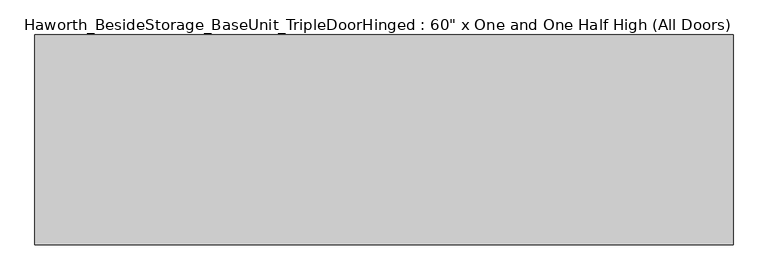
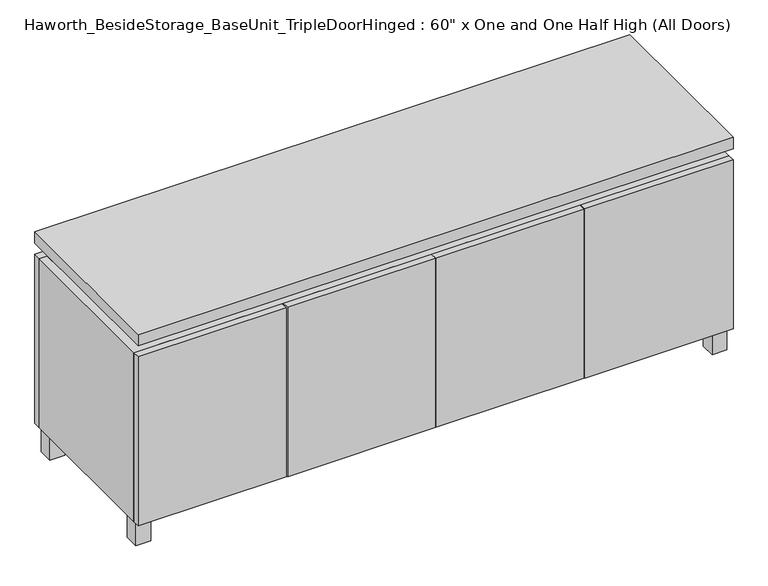
"""IFC4 building model written with IfcOpenShell, lengths in millimetres: furniture geometry."""

from ifc_helpers import new_model, si_unit, frame, origin, origin_with_axes, place, context, project, spatial, polyline, outline, extrude, faceted_brep, source, transform, mapped, element, save


def furniture_219595ab(model_context):
    return source(origin(), model_context, "Body", "SolidModel", [
        extrude(outline(polyline([(-19.0361094, 82.55), (19.0638906, 82.55), (19.0638906, 44.45), (-19.0361094, 44.45), (-19.0361094, 82.55)])), origin_with_axes(), (0.0, 0.0, 1.0), 66.675),
        extrude(outline(polyline([(717.5638906, -114.3), (755.6638906, -114.3), (755.6638906, -152.4), (717.5638906, -152.4), (717.5638906, -114.3)])), origin_with_axes(), (0.0, 0.0, 1.0), 66.675),
        extrude(outline(polyline([(717.5638906, 228.6), (717.5638906, 266.7), (755.6638906, 266.7), (755.6638906, 228.6), (717.5638906, 228.6)])), origin_with_axes(), (0.0, 0.0, 1.0), 66.675),
        extrude(outline(polyline([(-717.5361094, -114.3), (-717.5361094, -152.4), (-755.6361094, -152.4), (-755.6361094, -114.3), (-717.5361094, -114.3)])), origin_with_axes(), (0.0, 0.0, 1.0), 66.675),
        extrude(outline(polyline([(-717.5361094, 228.6), (-755.6361094, 228.6), (-755.6361094, 266.7), (-717.5361094, 266.7), (-717.5361094, 228.6)])), origin_with_axes(), (0.0, 0.0, 1.0), 66.675),
        faceted_brep([(-760.3986094, -152.4, 66.675), (760.4125, -152.4, 66.675), (760.4125, -152.4, 523.875), (-760.3986094, -152.4, 523.875), (-741.3486094, -152.4, 85.725), (-741.3486094, -152.4, 504.825), (741.3694453, -152.4, 504.825), (741.3486094, -152.4, 85.725), (-760.3986094, 266.7, 66.675), (-760.3986094, 266.7, 523.875), (-741.3486094, 266.7, 523.875), (-741.3486094, 266.7, 85.725), (741.3486094, 266.7, 85.725), (741.3486094, 266.7, 523.875), (760.4125, 266.7, 523.875), (760.4125, 266.7, 66.675), (741.3486094, 241.3, 523.875), (-741.3416641, 241.3, 523.875), (-741.3486094, 241.3, 504.825), (741.3486094, 241.3, 504.825)], [[[0, 1, 2, 3], [4, 5, 6, 7]], [[8, 9, 10, 11, 12, 13, 14, 15]], [[1, 0, 8, 15]], [[2, 1, 15, 14]], [[3, 2, 14, 13, 16, 17, 10, 9]], [[0, 3, 9, 8]], [[11, 10, 17, 18, 5, 4]], [[13, 12, 7, 6, 19, 16]], [[4, 7, 12, 11]], [[6, 5, 18, 19]], [[17, 16, 19, 18]]]),
        extrude(outline(polyline([(760.4263906, -171.45), (-760.3986094, -171.45), (-760.3986094, 285.75), (760.4263906, 285.75), (760.4263906, -171.45)])), frame((0.0, 0.0, 554.0375), z_axis=(0.0, 0.0, 1.0), x_axis=(1.0, 0.0, 0.0)), (0.0, 0.0, 1.0), 30.1625),
        faceted_brep([(7.9513906, -76.2, 554.0375), (7.9513906, -76.2, 523.875), (7.9513906, 47.625, 523.875), (7.9513906, 47.625, 554.0375), (7.9513906, 190.5, 523.875), (7.9513906, 190.5, 554.0375), (7.9513906, 66.675, 554.0375), (7.9513906, 66.675, 523.875), (-7.9236094, 190.5, 554.0375), (-7.9236094, 190.5, 523.875), (-7.9236094, 66.675, 523.875), (-7.9236094, 66.675, 554.0375), (-7.9236094, -76.2, 523.875), (-7.9236094, -76.2, 554.0375), (-7.9236094, 47.625, 554.0375), (-7.9236094, 47.625, 523.875), (-719.0958281, 66.675, 554.0375), (-719.1166641, 241.3, 554.0375), (-734.9916641, 241.3, 554.0375), (-734.9916641, -127.0, 554.0375), (-719.1166641, -127.0, 554.0375), (-719.1166641, 47.625, 554.0375), (719.1236094, 47.625, 554.0375), (719.1236094, -127.0, 554.0375), (734.9986094, -127.0, 554.0375), (734.9986094, 241.3, 554.0375), (719.1236094, 241.3, 554.0375), (719.1236094, 66.675, 554.0375), (-719.0958281, 47.625, 523.875), (-719.1166641, -127.0, 523.875), (-734.9916641, -127.0, 523.875), (-734.9916641, 241.3, 523.875), (-719.1166641, 241.3, 523.875), (-719.1166641, 66.675, 523.875), (719.1236094, 66.675, 523.875), (719.1236094, 241.3, 523.875), (734.9986094, 241.3, 523.875), (734.9986094, -127.0, 523.875), (719.1236094, -127.0, 523.875), (719.1236094, 47.625, 523.875)], [[[0, 1, 2, 3]], [[4, 5, 6, 7]], [[8, 9, 10, 11]], [[12, 13, 14, 15]], [[5, 8, 11, 16, 17, 18, 19, 20, 21, 14, 13, 0, 3, 22, 23, 24, 25, 26, 27, 6]], [[1, 12, 15, 28, 29, 30, 31, 32, 33, 10, 9, 4, 7, 34, 35, 36, 37, 38, 39, 2]], [[5, 4, 9, 8]], [[1, 0, 13, 12]], [[6, 27, 34, 7]], [[22, 3, 2, 39]], [[20, 29, 28, 21]], [[32, 17, 16, 33]], [[18, 31, 30, 19]], [[29, 20, 19, 30]], [[17, 32, 31, 18]], [[26, 35, 34, 27]], [[38, 23, 22, 39]], [[25, 24, 37, 36]], [[23, 38, 37, 24]], [[35, 26, 25, 36]], [[16, 11, 10, 33]], [[14, 21, 28, 15]]]),
        extrude(outline(polyline([(760.4263906, 266.7), (-760.3986094, 266.7), (-760.3986094, 285.75), (760.4263906, 285.75), (760.4263906, 266.7)])), frame((0.0, 0.0, 66.675), z_axis=(0.0, 0.0, 1.0), x_axis=(1.0, 0.0, 0.0)), (0.0, 0.0, 1.0), 457.2),
        extrude(outline(polyline([(-741.3416641, 196.85), (-741.3416641, 203.2), (741.3694453, 203.2), (741.3694453, 196.85), (-741.3416641, 196.85)])), frame((0.0, 0.0, 85.725), z_axis=(0.0, 0.0, 1.0), x_axis=(1.0, 0.0, 0.0)), (0.0, 0.0, 1.0), 419.1),
        extrude(outline(polyline([(381.8076406, -171.45), (381.8076406, -152.4), (760.4263906, -152.4), (760.4263906, -171.45), (381.8076406, -171.45)])), frame((0.0, 0.0, 66.675), z_axis=(0.0, 0.0, 1.0), x_axis=(1.0, 0.0, 0.0)), (0.0, 0.0, 1.0), 457.2),
        extrude(outline(polyline([(-381.7798594, -171.45), (-760.3986094, -171.45), (-760.3986094, -152.4), (-381.7798594, -152.4), (-381.7798594, -171.45)])), frame((0.0, 0.0, 66.675), z_axis=(0.0, 0.0, 1.0), x_axis=(1.0, 0.0, 0.0)), (0.0, 0.0, 1.0), 457.2),
        extrude(outline(polyline([(0.0138906, -171.45), (0.0138906, -152.4), (378.6326406, -152.4), (378.6326406, -171.45), (0.0138906, -171.45)])), frame((0.0, 0.0, 66.675), z_axis=(0.0, 0.0, 1.0), x_axis=(1.0, 0.0, 0.0)), (0.0, 0.0, 1.0), 457.2),
        extrude(outline(polyline([(0.0138906, -171.45), (-378.6048594, -171.45), (-378.6048594, -152.4), (0.0138906, -152.4), (0.0138906, -171.45)])), frame((0.0, 0.0, 66.675), z_axis=(0.0, 0.0, 1.0), x_axis=(1.0, 0.0, 0.0)), (0.0, 0.0, 1.0), 457.2),
        extrude(outline(polyline([(370.6951406, 196.85), (389.7451406, 196.85), (389.7451406, -152.4), (370.6951406, -152.4), (370.6951406, 196.85)])), frame((0.0, 0.0, 85.725), z_axis=(0.0, 0.0, 1.0), x_axis=(1.0, 0.0, 0.0)), (0.0, 0.0, 1.0), 419.1),
        extrude(outline(polyline([(-389.7173594, 196.85), (-370.6673594, 196.85), (-370.6673594, -152.4), (-389.7173594, -152.4), (-389.7173594, 196.85)])), frame((0.0, 0.0, 85.725), z_axis=(0.0, 0.0, 1.0), x_axis=(1.0, 0.0, 0.0)), (0.0, 0.0, 1.0), 419.1),
    ])


if __name__ == "__main__":
    model = new_model("IFC4")
    model_context = context("Model", 3, world=origin())
    ifc_project = project(units=[si_unit("LENGTHUNIT", "METRE", prefix="MILLI")], contexts=[model_context])
    site = spatial("IfcSite", under=ifc_project)
    building = spatial("IfcBuilding", under=site)
    placement = place(None, origin())
    furniture_shape = furniture_219595ab(model_context)
    element("IfcFurniture", 1, ObjectType="Haworth_BesideStorage_BaseUnit_TripleDoorHinged : 60\" x One and One Half High (All Doors)", at=placement, inside=building, context=model_context, shape_type="MappedRepresentation", body=[
        mapped(furniture_shape, transform((0.0, 0.0, 0.0), x_axis=(1.0, 0.0, 0.0), y_axis=(0.0, 1.0, 0.0), z_axis=(0.0, 0.0, 1.0))),
    ])
    save(model, "model.ifc")
